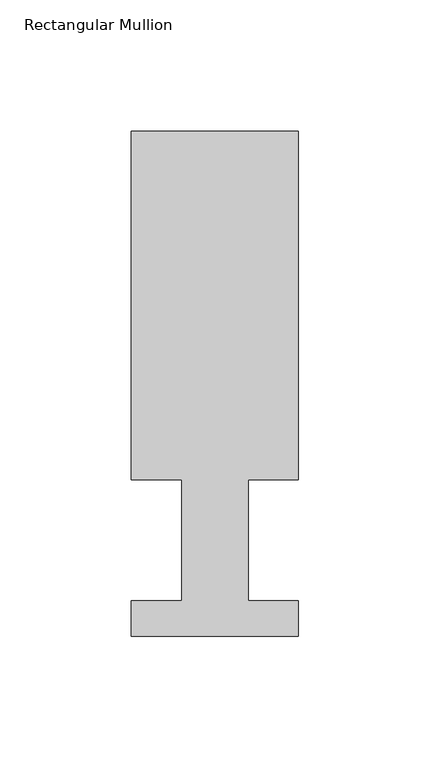
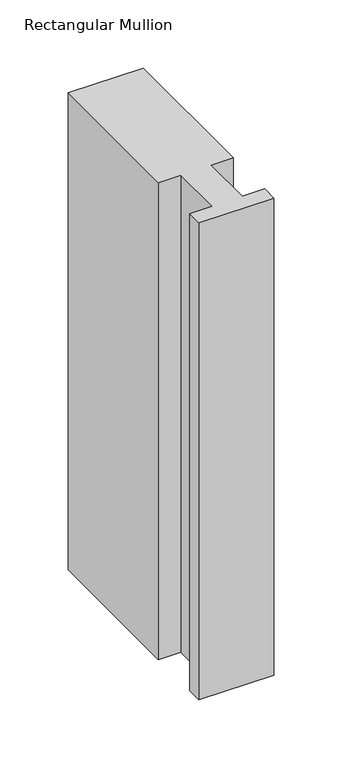
"""IFC4 building model written with IfcOpenShell, lengths in millimetres: member geometry, Rectangular Mullion."""

from ifc_helpers import new_model, si_unit, frame, origin, place, context, project, spatial, polyline, outline, extrude, source, transform, mapped, element, save


def rectangular_mullion_8aada344(model_context):
    return source(origin(), model_context, "Body", "SweptSolid", [
        extrude(outline(polyline([(-63.5, 192.09385), (0.0, 192.09385), (0.0, 59.53125), (-19.0373, 59.53125), (-19.0373, 13.50645), (0.0, 13.50645), (0.0, 0.04445), (-63.5, 0.04445), (-63.5, 13.50645), (-44.45, 13.50645), (-44.45, 59.53125), (-63.5, 59.53125), (-63.5, 192.09385)])), frame((0.0, 0.0, -427.5349167), z_axis=(0.0, 0.0, 1.0), x_axis=(1.0, 0.0, 0.0)), (0.0, 0.0, 1.0), 427.5349167),
    ])


if __name__ == "__main__":
    model = new_model("IFC4")
    model_context = context("Model", 3, world=origin())
    ifc_project = project(units=[si_unit("LENGTHUNIT", "METRE", prefix="MILLI")], contexts=[model_context])
    site = spatial("IfcSite", under=ifc_project)
    building = spatial("IfcBuilding", under=site)
    placement = place(None, origin())
    rectangular_mullion_shape = rectangular_mullion_8aada344(model_context)
    element("IfcMember", 1, ObjectType="Rectangular Mullion", at=placement, inside=building, context=model_context, shape_type="MappedRepresentation", body=[
        mapped(rectangular_mullion_shape, transform((0.0, 0.0, 0.0), x_axis=(1.0, 0.0, 0.0), y_axis=(0.0, 1.0, 0.0), z_axis=(0.0, 0.0, 1.0))),
    ])
    save(model, "model.ifc")
